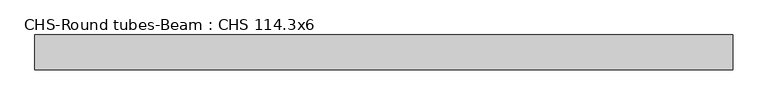
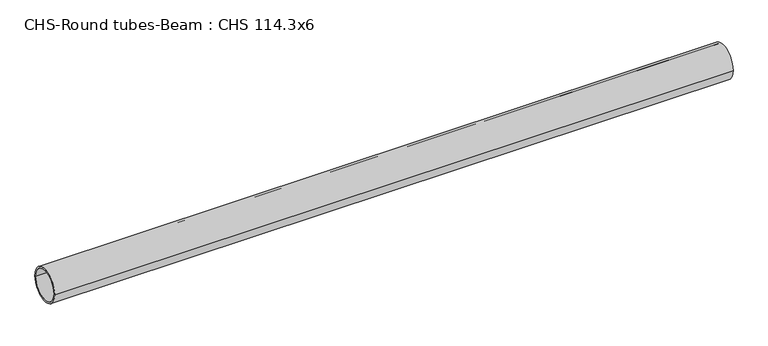
"""IFC4 building model written with IfcOpenShell, lengths in millimetres: beam geometry, CHS-Round tubes-Beam : CHS 114.3x6."""

import ifcopenshell
import ifcopenshell.guid

model = None  # the IFC model being written
_history = None  # IfcOwnerHistory: only IFC2X3 demands one
_inside = {}  # id of a spatial element -> (the spatial element, [elements in it])
_under = {}  # id of a project, library or spatial element -> (it, [spatial elements below it])
_declared = {}  # id of a project -> (the project, [libraries it declares])
_typed = {}  # id of a type object -> (the type object, [elements of that type])
_made_of = {}  # id of a material, layer set ... -> (it, [elements and type objects made of it])


def new_model(schema):
    """Start an empty IFC model of exactly this schema.

    Asked for "IFC4X3", IfcOpenShell would pick the latest addendum, in which some entities
    have other attributes; the version numbers below select the first issue.
    IFC2X3 requires an IfcOwnerHistory on every rooted entity: one is made here for all.
    """
    global model, _history
    if schema == "IFC4X3":
        model = ifcopenshell.file(schema_version=(4, 3, 0, 0))
    else:
        model = ifcopenshell.file(schema=schema)
    _inside.clear()
    _under.clear()
    _declared.clear()
    _typed.clear()
    _made_of.clear()
    _history = None
    if model.schema == "IFC2X3":
        org = make("IfcOrganization", Name="unknown")
        user = make(
            "IfcPersonAndOrganization",
            ThePerson=make("IfcPerson", FamilyName="unknown"),
            TheOrganization=org,
        )
        app = make(
            "IfcApplication",
            ApplicationDeveloper=org,
            Version="unknown",
            ApplicationFullName="unknown",
            ApplicationIdentifier="unknown",
        )
        _history = make(
            "IfcOwnerHistory",
            OwningUser=user,
            OwningApplication=app,
            ChangeAction="ADDED",
            CreationDate=0,
        )
    return model


def make(cls, **values):
    """One entity of the class cls with the attributes given. An attribute that is None is left unset."""
    return model.create_entity(
        cls, **{name: value for name, value in values.items() if value is not None}
    )


def rooted(cls, **values):
    """An entity with a GlobalId (a new one), such as an element, a storey or a relation."""
    return make(cls, GlobalId=ifcopenshell.guid.new(), OwnerHistory=_history, **values)


def si_unit(unit_type, name, prefix=None):
    """IfcSIUnit, for example si_unit("LENGTHUNIT", "METRE", prefix="MILLI")."""
    return make("IfcSIUnit", UnitType=unit_type, Prefix=prefix, Name=name)


def assignment(units):
    """IfcUnitAssignment: the units of a project."""
    return None if units is None else make("IfcUnitAssignment", Units=units)


def point(xyz):
    """IfcCartesianPoint."""
    return None if xyz is None else make("IfcCartesianPoint", Coordinates=xyz)


def direction(xyz):
    """IfcDirection."""
    return None if xyz is None else make("IfcDirection", DirectionRatios=xyz)


def frame(location, z_axis=None, x_axis=None):
    """IfcAxis2Placement3D, a coordinate frame: its origin and axes. An axis left out is left unset."""
    return make(
        "IfcAxis2Placement3D",
        Location=point(location),
        Axis=direction(z_axis),
        RefDirection=direction(x_axis),
    )


def frame_2d(location, x_axis=None):
    """IfcAxis2Placement2D, a coordinate frame in the plane: its origin and x axis."""
    return make(
        "IfcAxis2Placement2D", Location=point(location), RefDirection=direction(x_axis)
    )


def origin():
    """The frame at (0, 0, 0) with its axes left unset."""
    return frame((0.0, 0.0, 0.0))


def origin_2d():
    """The frame at (0, 0) in the plane with its x axis left unset."""
    return frame_2d((0.0, 0.0))


def place(relative_to, where):
    """IfcLocalPlacement: puts the frame where relative to a parent placement (None: the world)."""
    return make(
        "IfcLocalPlacement", PlacementRelTo=relative_to, RelativePlacement=where
    )


def context(
    kind, dimensions, precision=None, world=None, true_north=None, identifier=None
):
    """IfcGeometricRepresentationContext, for example the 3D "Model" context."""
    return make(
        "IfcGeometricRepresentationContext",
        ContextIdentifier=identifier,
        ContextType=kind,
        CoordinateSpaceDimension=dimensions,
        Precision=precision,
        WorldCoordinateSystem=world,
        TrueNorth=true_north,
    )


def project(units=None, contexts=None):
    """IfcProject with its units and contexts."""
    return rooted(
        "IfcProject",
        Name="project",
        RepresentationContexts=contexts,
        UnitsInContext=assignment(units),
    )


def spatial(cls, under=None, at=None, **own):
    """A site, building, storey or space (cls), placed at a placement, below another one or the project."""
    s = rooted(cls, ObjectPlacement=at, **own)
    if under is not None:
        _under.setdefault(under.id(), (under, []))[1].append(s)
    return s


def circle_curve(where, radius):
    """IfcCircle in the frame where."""
    return make("IfcCircle", Position=where, Radius=radius)


def trimmed(basis, trim1, trim2, sense, master):
    """IfcTrimmedCurve: the piece of a basis curve between two trims."""
    return make(
        "IfcTrimmedCurve",
        BasisCurve=basis,
        Trim1=trim1,
        Trim2=trim2,
        SenseAgreement=sense,
        MasterRepresentation=master,
    )


def segment(curve, same_sense, transition):
    """IfcCompositeCurveSegment."""
    return make(
        "IfcCompositeCurveSegment",
        Transition=transition,
        SameSense=same_sense,
        ParentCurve=curve,
    )


def composite_curve(segments, self_intersect=None):
    """IfcCompositeCurve: segments joined end to end."""
    return make("IfcCompositeCurve", Segments=segments, SelfIntersect=self_intersect)


def outline(outer, holes=None, kind="AREA"):
    """IfcArbitraryClosedProfileDef: a profile drawn as a closed curve; with holes, ...WithVoids."""
    if holes is None:
        return make("IfcArbitraryClosedProfileDef", ProfileType=kind, OuterCurve=outer)
    return make(
        "IfcArbitraryProfileDefWithVoids",
        ProfileType=kind,
        OuterCurve=outer,
        InnerCurves=holes,
    )


def extrude(swept, where, along, depth):
    """IfcExtrudedAreaSolid: the profile swept, set in the frame where, extruded along a direction by depth."""
    return make(
        "IfcExtrudedAreaSolid",
        SweptArea=swept,
        Position=where,
        ExtrudedDirection=direction(along),
        Depth=depth,
    )


def shape(context_of_items, identifier, shape_type, items):
    """IfcShapeRepresentation: the items that make up one representation, for example the "Body"."""
    return make(
        "IfcShapeRepresentation",
        ContextOfItems=context_of_items,
        RepresentationIdentifier=identifier,
        RepresentationType=shape_type,
        Items=items,
    )


def source(mapping_origin, context_of_items, identifier, shape_type, items):
    """IfcRepresentationMap: a shape defined once, which mapped items show again and again."""
    return make(
        "IfcRepresentationMap",
        MappingOrigin=mapping_origin,
        MappedRepresentation=shape(context_of_items, identifier, shape_type, items),
    )


def transform(
    local_origin,
    x_axis=None,
    y_axis=None,
    z_axis=None,
    scale=None,
    scale2=None,
    scale3=None,
    uniform=True,
):
    """IfcCartesianTransformationOperator3D, or its non-uniform kind. x_axis, y_axis, z_axis: its Axis1, 2, 3."""
    if uniform:
        return make(
            "IfcCartesianTransformationOperator3D",
            Axis1=direction(x_axis),
            Axis2=direction(y_axis),
            LocalOrigin=point(local_origin),
            Scale=scale,
            Axis3=direction(z_axis),
        )
    return make(
        "IfcCartesianTransformationOperator3DnonUniform",
        Axis1=direction(x_axis),
        Axis2=direction(y_axis),
        LocalOrigin=point(local_origin),
        Scale=scale,
        Axis3=direction(z_axis),
        Scale2=scale2,
        Scale3=scale3,
    )


def mapped(mapping_source, mapping_target):
    """IfcMappedItem: shows the shape of a source again, moved by a transform."""
    return make(
        "IfcMappedItem", MappingSource=mapping_source, MappingTarget=mapping_target
    )


def made_of(thing, what):
    """Note that an element or type object is made of a material, layer set ...; save() writes the relation."""
    if what is not None:
        _made_of.setdefault(what.id(), (what, []))[1].append(thing)
    return thing


def element(
    cls,
    number,
    at=None,
    inside=None,
    cuts=None,
    type_object=None,
    material=None,
    context=None,
    identifier="Body",
    shape_type=None,
    held_by="IfcProductDefinitionShape",
    body=None,
    shapes=None,
    **own,
):
    """One element of the class cls, such as IfcWall. Its Tag is "e" and its number.

    at: its placement. inside: the storey or other place that contains it. cuts: it is an
    opening in that element (IfcRelVoidsElement). A single representation is given by context,
    identifier, shape_type and body (its items); several are given by shapes. held_by: the class
    of the entity that holds the representations. save() writes the other relations.
    """
    e = rooted(cls, Tag="e%d" % number, ObjectPlacement=at, **own)
    if body is not None:
        shapes = [shape(context, identifier, shape_type, body)]
    if shapes is not None:
        e.Representation = make(held_by, Representations=shapes)
    if inside is not None:
        _inside.setdefault(inside.id(), (inside, []))[1].append(e)
    if cuts is not None:
        rooted(
            "IfcRelVoidsElement", RelatingBuildingElement=cuts, RelatedOpeningElement=e
        )
    if type_object is not None:
        _typed.setdefault(type_object.id(), (type_object, []))[1].append(e)
    return made_of(e, material)


def aggregate(whole, parts):
    """IfcRelAggregates: a whole, such as a stair, and the parts it consists of."""
    return rooted("IfcRelAggregates", RelatingObject=whole, RelatedObjects=parts)


def save(model, path):
    """Write the relations noted so far, then the file.

    IfcRelAggregates (storeys below a building ...), IfcRelContainedInSpatialStructure (elements
    in a storey), IfcRelDefinesByType, IfcRelAssociatesMaterial and IfcRelDeclares: one each for
    every whole, place, type object, material and project.
    """
    for whole, parts in _under.values():
        aggregate(whole, parts)
    for where, things in _inside.values():
        rooted(
            "IfcRelContainedInSpatialStructure",
            RelatedElements=things,
            RelatingStructure=where,
        )
    for kind, things in _typed.values():
        rooted("IfcRelDefinesByType", RelatedObjects=things, RelatingType=kind)
    for what, things in _made_of.values():
        rooted("IfcRelAssociatesMaterial", RelatedObjects=things, RelatingMaterial=what)
    for by, libraries in _declared.values():
        rooted("IfcRelDeclares", RelatingContext=by, RelatedDefinitions=libraries)
    model.write(path)


def chs_round_tubes_beam_chs_114_3x6_208fb85e(model_context):
    return source(origin(), model_context, "Body", "SweptSolid", [
        extrude(outline(composite_curve([segment(trimmed(circle_curve(origin_2d(), 57.15), [point((57.15, 0.0))], [point((-57.15, 0.0))], False, "CARTESIAN"), True, "CONTINUOUS"), segment(trimmed(circle_curve(origin_2d(), 57.15), [point((-57.15, 0.0))], [point((57.15, 0.0))], False, "CARTESIAN"), True, "CONTINUOUS")], self_intersect=False), holes=[composite_curve([segment(trimmed(circle_curve(origin_2d(), 51.15), [point((51.15, 0.0))], [point((-51.15, 0.0))], True, "CARTESIAN"), True, "CONTINUOUS"), segment(trimmed(circle_curve(origin_2d(), 51.15), [point((-51.15, 0.0))], [point((51.15, 0.0))], True, "CARTESIAN"), True, "CONTINUOUS")], self_intersect=False)]), frame((-979.7558958, 0.0, 0.0), z_axis=(1.0, 0.0, 0.0), x_axis=(0.0, 1.0, 0.0)), (0.0, 0.0, 1.0), 2275.198104),
    ])


if __name__ == "__main__":
    model = new_model("IFC4")
    model_context = context("Model", 3, world=origin())
    ifc_project = project(units=[si_unit("LENGTHUNIT", "METRE", prefix="MILLI")], contexts=[model_context])
    site = spatial("IfcSite", under=ifc_project)
    building = spatial("IfcBuilding", under=site)
    placement = place(None, origin())
    chs_round_tubes_beam_chs_114_3x6_shape = chs_round_tubes_beam_chs_114_3x6_208fb85e(model_context)
    element("IfcBeam", 1, ObjectType="CHS-Round tubes-Beam : CHS 114.3x6", at=placement, inside=building, context=model_context, shape_type="MappedRepresentation", body=[
        mapped(chs_round_tubes_beam_chs_114_3x6_shape, transform((0.0, 0.0, 0.0), x_axis=(1.0, 0.0, 0.0), y_axis=(0.0, 1.0, 0.0), z_axis=(0.0, 0.0, 1.0))),
    ])
    save(model, "model.ifc")
